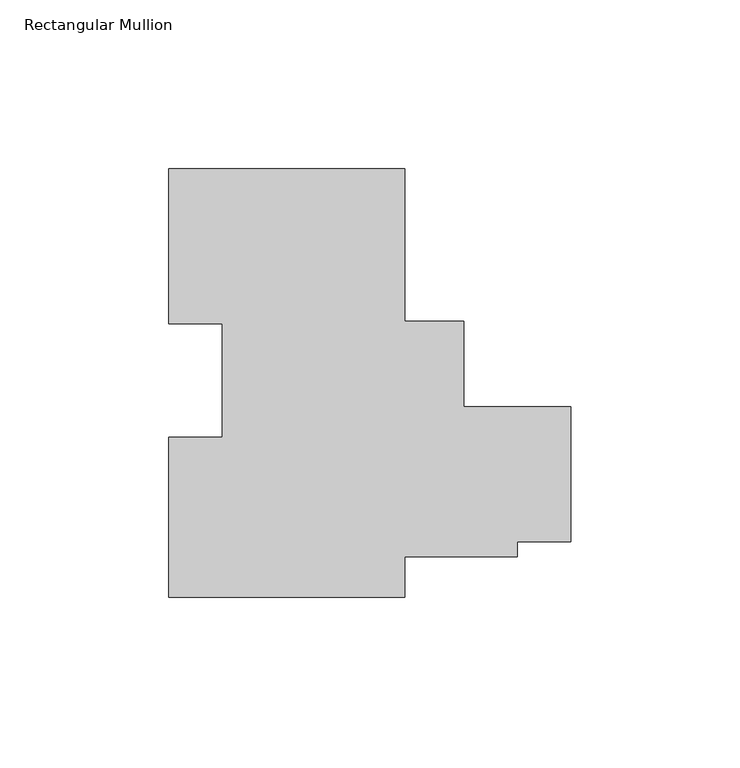
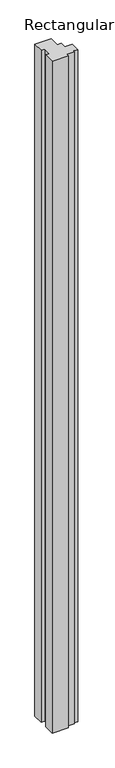
"""IFC4 building model written with IfcOpenShell, lengths in millimetres: member geometry, Rectangular Mullion."""

from ifc_helpers import new_model, si_unit, frame, origin, place, context, project, spatial, polyline, outline, extrude, source, transform, mapped, element, save


def rectangular_mullion_c456a7b8(model_context):
    return source(origin(), model_context, "Body", "SweptSolid", [
        extrude(outline(polyline([(-119.1656857, -63.5), (-119.1656857, -16.0459314), (-103.2906857, -16.0459314), (-103.2906857, 17.5167003), (-119.1656857, 17.5167003), (-119.1656857, 63.5), (-49.2233693, 63.5), (-49.2233693, 18.3262954), (-31.74817, 18.3262954), (-31.74817, -7.0656822), (0.0, -7.0656822), (0.0, -47.0706822), (-15.8740905, -47.0706822), (-15.8740905, -51.5156822), (-49.22337, -51.5156822), (-49.22337, -63.5), (-119.1656857, -63.5)])), frame((0.0, 0.0, -3048.0), z_axis=(0.0, 0.0, 1.0), x_axis=(1.0, 0.0, 0.0)), (0.0, 0.0, 1.0), 3048.0),
    ])


if __name__ == "__main__":
    model = new_model("IFC4")
    model_context = context("Model", 3, world=origin())
    ifc_project = project(units=[si_unit("LENGTHUNIT", "METRE", prefix="MILLI")], contexts=[model_context])
    site = spatial("IfcSite", under=ifc_project)
    building = spatial("IfcBuilding", under=site)
    placement = place(None, origin())
    rectangular_mullion_shape = rectangular_mullion_c456a7b8(model_context)
    element("IfcMember", 1, ObjectType="Rectangular Mullion", at=placement, inside=building, context=model_context, shape_type="MappedRepresentation", body=[
        mapped(rectangular_mullion_shape, transform((0.0, 0.0, 0.0), x_axis=(1.0, 0.0, 0.0), y_axis=(0.0, 1.0, 0.0), z_axis=(0.0, 0.0, 1.0))),
    ])
    save(model, "model.ifc")
